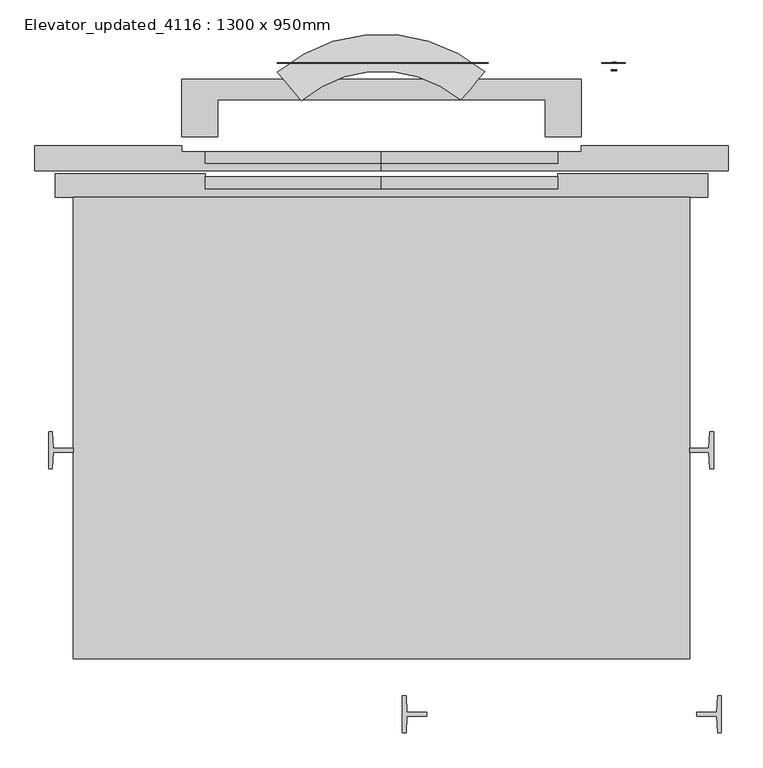
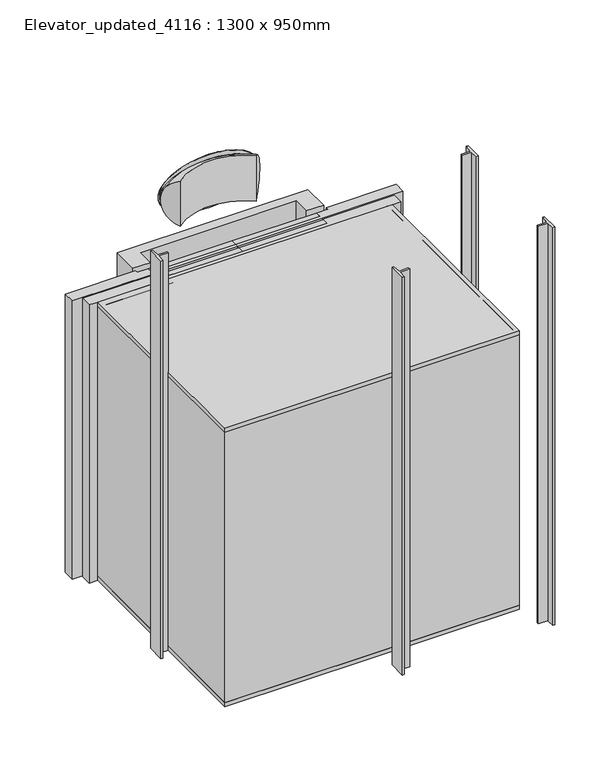
"""IFC4 building model written with IfcOpenShell, lengths in millimetres: proxy geometry, Elevator_updated_4116 : 1300 x 950mm."""

from ifc_helpers import new_model, si_unit, point, frame, frame_2d, origin, origin_with_axes, place, context, project, spatial, polyline, circle_curve, ellipse_curve, trimmed, segment, composite_curve, outline, extrude, faceted_brep, source, transform, mapped, element, save
from ifc_brep_helpers import plane_surface, revolved_surface, extruded_surface, advanced_brep


def elevator_updated_4116_1300_x_950mm_b94bfb33(model_context):
    return source(origin(), model_context, "Body", "SolidModel", [
        advanced_brep(
        [(500.8311755, 452.698127, 2539.1396764), (500.8311755, 452.698127, 2199.1396764), (-42.5298936, 450.9235844, 2539.1396764), (-42.5298936, 450.9235844, 2199.1396764)],
        [
            (0, 1),
            (1, 0, circle_curve(frame((468.7185736, 414.1006251, 2369.1396764), z_axis=(0.768730212995733, -0.6395731855132256, 0.0), x_axis=(-0.6395731855132256, -0.768730212995733, 0.0)), 177.259658)),
            (2, 3, circle_curve(frame((-10.1658711, 412.5366542, 2369.1396764), z_axis=(-0.7645363428998604, -0.6445806236502203, 0.0), x_axis=(0.6445806236502203, -0.7645363428998604, 0.0)), 177.259658)),
            (3, 2),
            (2, 0, circle_curve(frame((230.2100339, 127.4270673, 2539.1396764), z_axis=(0.0, 0.0, -1.0), x_axis=(0.6395731855132256, 0.768730212995733, 0.0)), 423.1277166)),
            (1, 3, circle_curve(frame((230.2100339, 127.4270673, 2199.1396764), z_axis=(0.0, 0.0, 1.0), x_axis=(0.6395731855132256, 0.768730212995733, 0.0)), 423.1277166)),
        ],
        [
            plane_surface(frame((230.2100339, 127.4270673, 1800.0), z_axis=(0.7687302129957331, -0.6395731855132257, 0.0), x_axis=(0.6395731855132257, 0.7687302129957331, 0.0))),
            plane_surface(frame((230.2100339, 127.4270673, 1800.0), z_axis=(-0.7645363428998605, -0.6445806236502204, 0.0), x_axis=(-0.6445806236502204, 0.7645363428998605, 0.0))),
            revolved_surface(trimmed(ellipse_curve(frame((468.7185736, 414.1006251, 2369.1396764), z_axis=(-0.768730212995733, 0.6395731855132256, 0.0), x_axis=(-0.6395731855132256, -0.768730212995733, 0.0)), 177.259658, 177.259658), [point((500.8311755, 452.698127, 2539.1396764))], [point((500.8311755, 452.698127, 2199.1396764))], True, "CARTESIAN"), (230.2100339, 127.4270673, 1800.0), (0.0, 0.0, -1.0)),
            revolved_surface(polyline([(500.83117548479936, 452.6981270063161, 2199.1396764), (500.83117548479936, 452.6981270063161, 2539.1396764)]), (230.2100339, 127.4270673, 1800.0), (0.0, 0.0, -1.0)),
        ],
        [
            (0, [[1, 2]]),
            (1, [[3, 4]]),
            (2, [[-3, 5, -2, 6]]),
            (3, [[-4, -6, -1, -5]]),
        ],
    ),
        extrude(outline(polyline([(1387.8068056, -1575.5467426), (1387.8068056, -1702.5467426), (1374.8068532, -1702.5467426), (1371.893071, -1645.2423587), (1304.3067824, -1645.2423587), (1304.3067824, -1632.7467425), (1371.8068533, -1632.7467425), (1374.8068533, -1575.5467426), (1387.8068056, -1575.5467426)])), origin_with_axes(), (0.0, 0.0, 1.0), 3000.0),
        extrude(outline(polyline([(300.8067593, -1575.5467426), (313.8067116, -1575.5467426), (316.8067116, -1632.7467425), (384.3067824, -1632.7467425), (384.3067824, -1645.2423587), (316.7204939, -1645.2423587), (313.8067116, -1702.5467426), (300.8067593, -1702.5467426), (300.8067593, -1575.5467426)])), origin_with_axes(), (0.0, 0.0, 1.0), 3000.0),
        extrude(outline(polyline([(1361.2100334, -676.4135645), (1361.2100334, -803.4135645), (1348.2100334, -803.4135645), (1345.2962512, -746.1088408), (1280.2100339, -746.1088408), (1280.2100339, -733.6132247), (1345.2100334, -733.6132247), (1348.2100334, -676.4135645), (1361.2100334, -676.4135645)])), origin_with_axes(), (0.0, 0.0, 1.0), 3000.0),
        extrude(outline(polyline([(-903.2899892, -676.4132248), (-890.2900369, -676.4132248), (-887.2900369, -733.6132247), (-819.7899661, -733.6132247), (-819.7899661, -746.1088408), (-887.3762547, -746.1088408), (-890.2900369, -803.4132248), (-903.2899892, -803.4132248), (-903.2899892, -676.4132248)])), origin_with_axes(), (0.0, 0.0, 1.0), 3000.0),
        faceted_brep([(-310.0035134, 523.0264029, 2100.0), (-450.0035134, 523.0264029, 2100.0), (-450.0035134, 327.6050169, 2100.0), (-327.0035134, 327.6050169, 2100.0), (-327.0035134, 453.0264029, 2100.0), (787.4235812, 453.0264029, 2100.0), (787.4235812, 327.6050169, 2100.0), (910.4235812, 327.6050169, 2100.0), (910.4235812, 523.0264029, 2100.0), (-450.0035134, 523.0264029, 0.0), (-327.0035134, 523.0264029, 0.0), (-327.0035134, 327.6050169, 0.0), (-450.0035134, 327.6050169, 0.0), (787.4235812, 523.0264029, 0.0), (910.4235812, 523.0264029, 0.0), (910.4235812, 327.6050169, 0.0), (787.4235812, 327.6050169, 0.0), (787.4235812, 523.0264029, 1800.0), (-310.0035134, 523.0264029, 1800.0), (787.4235812, 453.0264029, 1800.0), (-327.0035134, 453.0264029, 1800.0), (-327.0035134, 523.0264029, 1800.0)], [[[0, 1, 2, 3, 4, 5, 6, 7, 8]], [[9, 10, 11, 12]], [[13, 14, 15, 16]], [[8, 14, 13, 17, 18, 0]], [[7, 15, 14, 8]], [[16, 15, 7, 6]], [[5, 19, 17, 13, 16, 6]], [[4, 20, 19, 5]], [[3, 11, 10, 21, 20, 4]], [[2, 12, 11, 3]], [[1, 9, 12, 2]], [[0, 18, 21, 10, 9, 1]], [[19, 20, 21, 18, 17]]]),
        advanced_brep(
        [(233.3228665, 579.7050169, 2167.0744476), (233.3228665, 579.7050169, 2567.0744476), (229.9265002, 579.7050169, 2534.0843368), (229.9265002, 579.7050169, 2201.6396764), (233.3228665, 577.6050169, 2167.0744476), (233.3228665, 577.6050169, 2567.0744476), (229.9265002, 577.6050169, 2534.0843368), (229.9265002, 577.6050169, 2201.6396764)],
        [
            (0, 1, ellipse_curve(frame((233.3228665, 579.7050169, 2367.0744476), z_axis=(0.0, 1.0, 0.0), x_axis=(-1.0, 0.0, 0.0)), 360.0, 200.0)),
            (1, 0, ellipse_curve(frame((233.3228665, 579.7050169, 2367.0744476), z_axis=(0.0, 1.0, 0.0), x_axis=(-1.0, 0.0, 0.0)), 360.0, 200.0)),
            (2, 3, ellipse_curve(frame((229.9265002, 579.7050169, 2367.8620066), z_axis=(0.0, -1.0, 0.0), x_axis=(-1.0, 0.0, 0.0)), 345.0, 166.2223302)),
            (3, 2, ellipse_curve(frame((229.9265002, 579.7050169, 2367.8620066), z_axis=(0.0, -1.0, 0.0), x_axis=(-1.0, 0.0, 0.0)), 345.0, 166.2223302)),
            (4, 5, ellipse_curve(frame((233.3228665, 577.6050169, 2367.0744476), z_axis=(0.0, -1.0, 0.0), x_axis=(0.0, 0.0, 1.0)), 200.0, 360.0)),
            (5, 4, ellipse_curve(frame((233.3228665, 577.6050169, 2367.0744476), z_axis=(0.0, -1.0, 0.0), x_axis=(0.0, 0.0, 1.0)), 200.0, 360.0)),
            (6, 7, ellipse_curve(frame((229.9265002, 577.6050169, 2367.8620066), z_axis=(0.0, 1.0, 0.0), x_axis=(-1.0, 0.0, 0.0)), 345.0, 166.2223302)),
            (7, 6, ellipse_curve(frame((229.9265002, 577.6050169, 2367.8620066), z_axis=(0.0, 1.0, 0.0), x_axis=(-1.0, 0.0, 0.0)), 345.0, 166.2223302)),
            (1, 5),
            (4, 0),
            (3, 7),
            (6, 2),
        ],
        [
            plane_surface(frame((233.3228665, 579.7050169, 2567.0744476), z_axis=(0.0, 1.0, 0.0), x_axis=(-1.0, 0.0, 0.0))),
            plane_surface(frame((233.3228665, 577.6050169, 2567.0744476), z_axis=(0.0, -1.0, 0.0), x_axis=(1.0, 0.0, 0.0))),
            extruded_surface(trimmed(ellipse_curve(frame((233.3228665, 577.6050169, 2367.0744476), z_axis=(0.0, -1.0, 0.0), x_axis=(0.0, 0.0, 1.0)), 200.0, 360.0), [point((233.3228665, 577.6050169, 2167.0744476))], [point((233.3228665, 577.6050169, 2567.0744476))], True, "CARTESIAN"), (0.0, -2.1000000000000227, 0.0), 2.1000000000000227),
            extruded_surface(trimmed(ellipse_curve(frame((233.3228665, 577.6050169, 2367.0744476), z_axis=(0.0, -1.0, 0.0), x_axis=(0.0, 0.0, 1.0)), 200.0, 360.0), [point((233.3228665, 577.6050169, 2567.0744476))], [point((233.3228665, 577.6050169, 2167.0744476))], True, "CARTESIAN"), (0.0, -2.1000000000000227, 0.0), 2.1000000000000227),
            extruded_surface(trimmed(ellipse_curve(frame((229.9265002, 327.6050169, 2367.8620066), z_axis=(0.0, 1.0, 0.0), x_axis=(0.0, 0.0, -1.0)), 166.2223302, 345.0), [point((229.9265002, 327.6050169, 2534.0843368))], [point((229.9265002, 327.6050169, 2201.6396764))], True, "CARTESIAN"), (0.0, -2.1000000000000227, 0.0), 2.1000000000000227),
            extruded_surface(trimmed(ellipse_curve(frame((229.9265002, 327.6050169, 2367.8620066), z_axis=(0.0, 1.0, 0.0), x_axis=(0.0, 0.0, -1.0)), 166.2223302, 345.0), [point((229.9265002, 327.6050169, 2201.6396764))], [point((229.9265002, 327.6050169, 2534.0843368))], True, "CARTESIAN"), (0.0, -2.1000000000000227, 0.0), 2.1000000000000227),
        ],
        [
            (0, [[1, 2], [3, 4]]),
            (1, [[5, 6], [7, 8]]),
            (2, [[9, -5, 10, -2]]),
            (3, [[-10, -6, -9, -1]]),
            (4, [[11, -7, 12, -4]]),
            (5, [[-12, -8, -11, -3]]),
        ],
    ),
        extrude(outline(polyline([(1008.9127767, 1021.7785059), (995.0524506, 1021.7785059), (995.0524506, 1022.5772134), (1008.9127767, 1022.5772134), (1004.977049, 1028.1980152), (1005.5866656, 1028.8076319), (1010.2288821, 1022.1778597), (1005.5866656, 1015.5480875), (1004.977049, 1016.1577041), (1008.9127767, 1021.7785059)])), frame((0.0, 578.8675, 0.0), z_axis=(0.0, 1.0, 0.0), x_axis=(0.0, 0.0, 1.0)), (0.0, 0.0, 1.0), 1.8423941),
        extrude(outline(polyline([(951.1921246, 1021.7785059), (955.1278523, 1016.1577041), (954.5182357, 1015.5480875), (949.8760192, 1022.1778597), (954.5182357, 1028.8076319), (955.1278523, 1028.1980152), (951.1921246, 1022.5772134), (965.0524506, 1022.5772134), (965.0524506, 1021.7785059), (951.1921246, 1021.7785059)])), frame((0.0, 578.8675, 0.0), z_axis=(0.0, 1.0, 0.0), x_axis=(0.0, 0.0, 1.0)), (0.0, 0.0, 1.0), 1.8423941),
        extrude(outline(composite_curve([segment(trimmed(circle_curve(frame_2d((958.0344126, 1022.0419434)), 10.0), [point((958.0344126, 1012.0419434))], [point((958.0344126, 1032.0419434))], False, "CARTESIAN"), True, "CONTINUOUS"), segment(trimmed(circle_curve(frame_2d((958.0344126, 1022.0419434)), 10.0), [point((958.0344126, 1032.0419434))], [point((958.0344126, 1012.0419434))], False, "CARTESIAN"), True, "CONTINUOUS")], self_intersect=False)), frame((0.0, 552.6050169, 0.0), z_axis=(0.0, 1.0, 0.0), x_axis=(0.0, 0.0, 1.0)), (0.0, 0.0, 1.0), 2.1149301),
        extrude(outline(polyline([(1045.8573152, 579.719947), (1045.8573152, 577.6050169), (995.8573152, 577.6050169), (995.8573152, 579.719947), (1045.8573152, 579.719947)])), frame((0.0, 0.0, 1084.2103885), z_axis=(0.0, 0.0, 1.0), x_axis=(1.0, 0.0, 0.0)), (0.0, 0.0, 1.0), 250.0),
        extrude(outline(composite_curve([segment(trimmed(circle_curve(frame_2d((958.0344126, 1022.0419434)), 10.0), [point((958.0344126, 1012.0419434))], [point((958.0344126, 1032.0419434))], False, "CARTESIAN"), True, "CONTINUOUS"), segment(trimmed(circle_curve(frame_2d((958.0344126, 1022.0419434)), 10.0), [point((958.0344126, 1032.0419434))], [point((958.0344126, 1012.0419434))], False, "CARTESIAN"), True, "CONTINUOUS")], self_intersect=False)), frame((0.0, 552.6050169, 0.0), z_axis=(0.0, 1.0, 0.0), x_axis=(0.0, 0.0, 1.0)), (0.0, 0.0, 1.0), 2.1149301),
        extrude(outline(composite_curve([segment(trimmed(circle_curve(frame_2d((1003.0344126, 1022.0419434)), 10.0), [point((1003.0344126, 1012.0419434))], [point((1003.0344126, 1032.0419434))], False, "CARTESIAN"), True, "CONTINUOUS"), segment(trimmed(circle_curve(frame_2d((1003.0344126, 1022.0419434)), 10.0), [point((1003.0344126, 1032.0419434))], [point((1003.0344126, 1012.0419434))], False, "CARTESIAN"), True, "CONTINUOUS")], self_intersect=False)), frame((0.0, 553.8675, 0.0), z_axis=(0.0, 1.0, 0.0), x_axis=(0.0, 0.0, 1.0)), (0.0, 0.0, 1.0), 1.8423941),
        extrude(outline(polyline([(1360.0, 980.8185967), (800.0, 980.8185967), (800.0, 1060.8185967), (1360.0, 1060.8185967), (1360.0, 980.8185967)]), holes=[composite_curve([segment(trimmed(circle_curve(frame_2d((958.0344126, 1022.0419434)), 10.0), [point((958.0344126, 1012.0419434))], [point((958.0344126, 1032.0419434))], True, "CARTESIAN"), True, "CONTINUOUS"), segment(trimmed(circle_curve(frame_2d((958.0344126, 1022.0419434)), 10.0), [point((958.0344126, 1032.0419434))], [point((958.0344126, 1012.0419434))], True, "CARTESIAN"), True, "CONTINUOUS")], self_intersect=False)]), frame((0.0, 577.6050169, 0.0), z_axis=(0.0, 1.0, 0.0), x_axis=(0.0, 0.0, 1.0)), (0.0, 0.0, 1.0), 2.1149301),
        extrude(outline(polyline([(1280.2100339, -1449.0781578), (-819.7899661, -1449.0781578), (-819.7899661, 122.3299298), (1280.2100339, 122.3299298), (1280.2100339, -1449.0781578)])), frame((0.0, 0.0, 2070.0), z_axis=(0.0, 0.0, 1.0), x_axis=(1.0, 0.0, 0.0)), (0.0, 0.0, 1.0), 30.0),
        extrude(outline(polyline([(1280.2100339, -1449.0781578), (-819.7899661, -1449.0781578), (-819.7899661, 122.3299298), (1280.2100339, 122.3299298), (1280.2100339, -1449.0781578)])), origin_with_axes(), (0.0, 0.0, 1.0), 30.0),
        extrude(outline(polyline([(230.2100339, 190.9218422), (830.2100339, 190.9218422), (830.2100339, 150.9218422), (230.2100339, 150.9218422), (230.2100339, 190.9218422)])), origin_with_axes(), (0.0, 0.0, 1.0), 2100.0),
        extrude(outline(polyline([(230.2100339, 190.9218422), (230.2100339, 150.9218422), (-369.7899661, 150.9218422), (-369.7899661, 190.9218422), (230.2100339, 190.9218422)])), origin_with_axes(), (0.0, 0.0, 1.0), 2100.0),
        extrude(outline(polyline([(230.2100339, 277.3299298), (830.2100339, 277.3299298), (830.2100339, 237.3299298), (230.2100339, 237.3299298), (230.2100339, 277.3299298)])), origin_with_axes(), (0.0, 0.0, 1.0), 2100.0),
        extrude(outline(polyline([(230.2100339, 277.3299298), (230.2100339, 237.3299298), (-369.7899661, 237.3299298), (-369.7899661, 277.3299298), (230.2100339, 277.3299298)])), origin_with_axes(), (0.0, 0.0, 1.0), 2100.0),
        extrude(outline(polyline([(230.2100339, 212.3299298), (230.2100339, 237.3299298), (830.2100339, 237.3299298), (830.2100339, 277.3299298), (910.2100339, 277.3299298), (910.2100339, 297.3299298), (1410.2100339, 297.3299298), (1410.2100339, 212.3299298), (230.2100339, 212.3299298)])), origin_with_axes(), (0.0, 0.0, 1.0), 2100.0),
        extrude(outline(polyline([(230.2100339, 212.3299298), (-949.7899661, 212.3299298), (-949.7899661, 297.3299298), (-449.7899661, 297.3299298), (-449.7899661, 277.3299298), (-369.7899661, 277.3299298), (-369.7899661, 237.3299298), (230.2100339, 237.3299298), (230.2100339, 212.3299298)])), origin_with_axes(), (0.0, 0.0, 1.0), 2100.0),
        extrude(outline(polyline([(-819.7899661, -1449.0781578), (-819.7899661, 122.3299298), (-881.0070918, 122.3299298), (-881.0070918, 202.3299298), (-369.7899661, 202.3299298), (-369.7899661, 150.9218422), (830.2100339, 150.9218422), (830.2100339, 202.3299298), (1341.4271595, 202.3299298), (1341.4271595, 122.3299298), (1280.2100339, 122.3299298), (1280.2100339, -1449.0781578), (-819.7899661, -1449.0781578)]), holes=[polyline([(-789.7899661, 120.9218422), (-789.7899661, 120.5690804), (-316.1529331, 120.5690804), (-316.1529331, 70.2163186), (-781.1529331, 70.2163186), (-789.7899661, 70.2163186), (-789.7899661, -1419.0781578), (1250.2100339, -1419.0781578), (1250.2100339, 70.2163186), (1241.5730008, 70.2163186), (776.5730008, 70.2163186), (776.5730008, 120.5690804), (1250.2100339, 120.5690804), (1250.2100339, 120.9218422), (-789.7899661, 120.9218422)])]), origin_with_axes(), (0.0, 0.0, 1.0), 2100.0),
    ])


if __name__ == "__main__":
    model = new_model("IFC4")
    model_context = context("Model", 3, world=origin())
    ifc_project = project(units=[si_unit("LENGTHUNIT", "METRE", prefix="MILLI")], contexts=[model_context])
    site = spatial("IfcSite", under=ifc_project)
    building = spatial("IfcBuilding", under=site)
    placement = place(None, origin())
    elevator_updated_4116_1300_x_950mm_shape = elevator_updated_4116_1300_x_950mm_b94bfb33(model_context)
    element("IfcBuildingElementProxy", 1, Name="Elevator_updated_4116 : 1300 x 950mm", ObjectType="Elevator_updated_4116 : 1300 x 950mm", at=placement, inside=building, context=model_context, shape_type="MappedRepresentation", body=[
        mapped(elevator_updated_4116_1300_x_950mm_shape, transform((0.0, 0.0, 0.0), x_axis=(1.0, 0.0, 0.0), y_axis=(0.0, 1.0, 0.0), z_axis=(0.0, 0.0, 1.0))),
    ])
    save(model, "model.ifc")
